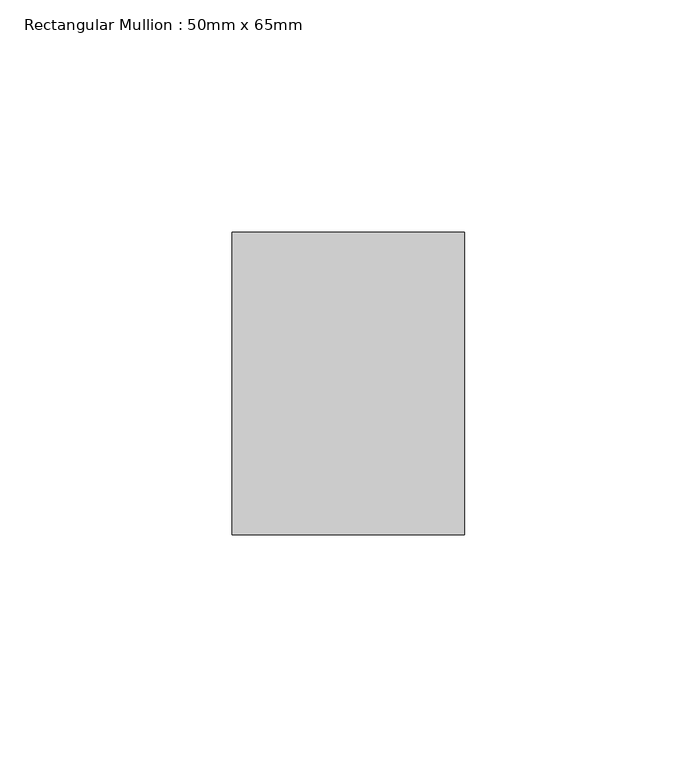
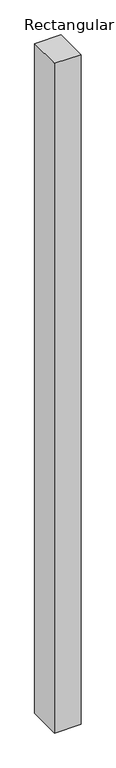
"""IFC4 building model written with IfcOpenShell, lengths in millimetres: member geometry, Rectangular Mullion : 50mm x 65mm."""

from ifc_helpers import new_model, si_unit, frame, origin, place, context, project, spatial, polyline, outline, extrude, source, transform, mapped, element, save


def rectangular_mullion_50mm_x_65mm_cc02b1a8(model_context):
    return source(origin(), model_context, "Body", "SweptSolid", [
        extrude(outline(polyline([(25.0, 32.5), (25.0, -32.5), (-25.0, -32.5), (-25.0, 32.5), (25.0, 32.5)])), frame((0.0, 0.0, -1337.4790448), z_axis=(0.0, 0.0, 1.0), x_axis=(1.0, 0.0, 0.0)), (0.0, 0.0, 1.0), 1337.4790448),
    ])


if __name__ == "__main__":
    model = new_model("IFC4")
    model_context = context("Model", 3, world=origin())
    ifc_project = project(units=[si_unit("LENGTHUNIT", "METRE", prefix="MILLI")], contexts=[model_context])
    site = spatial("IfcSite", under=ifc_project)
    building = spatial("IfcBuilding", under=site)
    placement = place(None, origin())
    rectangular_mullion_50mm_x_65mm_shape = rectangular_mullion_50mm_x_65mm_cc02b1a8(model_context)
    element("IfcMember", 1, ObjectType="Rectangular Mullion : 50mm x 65mm", at=placement, inside=building, context=model_context, shape_type="MappedRepresentation", body=[
        mapped(rectangular_mullion_50mm_x_65mm_shape, transform((0.0, 0.0, 0.0), x_axis=(1.0, 0.0, 0.0), y_axis=(0.0, 1.0, 0.0), z_axis=(0.0, 0.0, 1.0))),
    ])
    save(model, "model.ifc")
